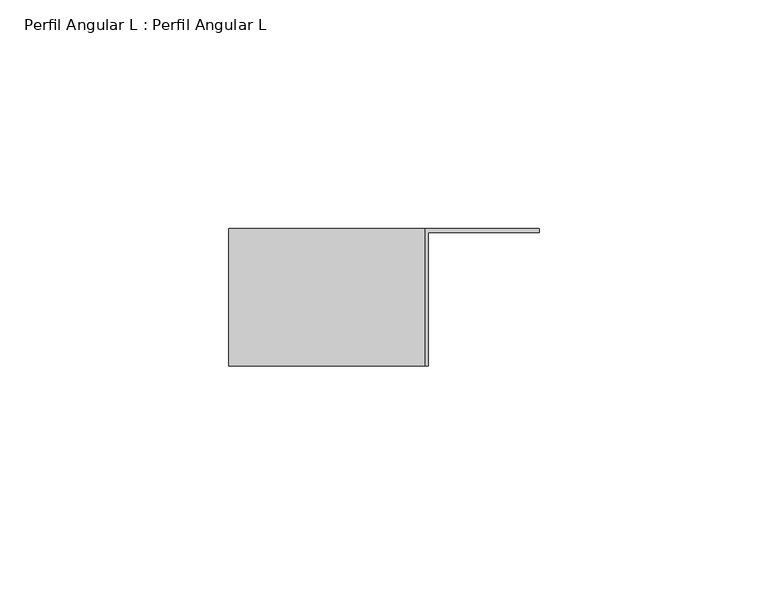
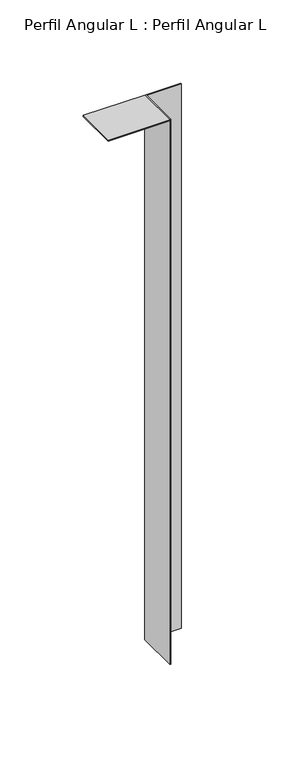
"""IFC4 building model written with IfcOpenShell, lengths in millimetres: proxy geometry, Perfil Angular L : Perfil Angular L."""

from ifc_helpers import new_model, si_unit, frame, origin, origin_with_axes, place, context, project, spatial, polyline, outline, extrude, source, transform, mapped, element, save


def perfil_angular_l_perfil_angular_l_aaadefc3(model_context):
    return source(origin(), model_context, "Body", "SweptSolid", [
        extrude(outline(polyline([(-55.2912174, 15.8), (-12.5, 15.8), (-12.5, -14.2), (-55.2912174, -14.2), (-55.2912174, 15.8)])), frame((0.0, 0.0, 399.2), z_axis=(0.0, 0.0, 1.0), x_axis=(1.0, 0.0, 0.0)), (0.0, 0.0, 1.0), 0.8),
        extrude(outline(polyline([(-12.5, 15.8), (12.5, 15.8), (12.5, 15.0), (-11.7, 15.0), (-11.7, -14.2), (-12.5, -14.2), (-12.5, 15.8)])), origin_with_axes(), (0.0, 0.0, 1.0), 400.0),
    ])


if __name__ == "__main__":
    model = new_model("IFC4")
    model_context = context("Model", 3, world=origin())
    ifc_project = project(units=[si_unit("LENGTHUNIT", "METRE", prefix="MILLI")], contexts=[model_context])
    site = spatial("IfcSite", under=ifc_project)
    building = spatial("IfcBuilding", under=site)
    placement = place(None, origin())
    perfil_angular_l_perfil_angular_l_shape = perfil_angular_l_perfil_angular_l_aaadefc3(model_context)
    element("IfcBuildingElementProxy", 1, Name="Perfil Angular L : Perfil Angular L", ObjectType="Perfil Angular L : Perfil Angular L", at=placement, inside=building, context=model_context, shape_type="MappedRepresentation", body=[
        mapped(perfil_angular_l_perfil_angular_l_shape, transform((0.0, 0.0, 0.0), x_axis=(1.0, 0.0, 0.0), y_axis=(0.0, 1.0, 0.0), z_axis=(0.0, 0.0, 1.0))),
    ])
    save(model, "model.ifc")
